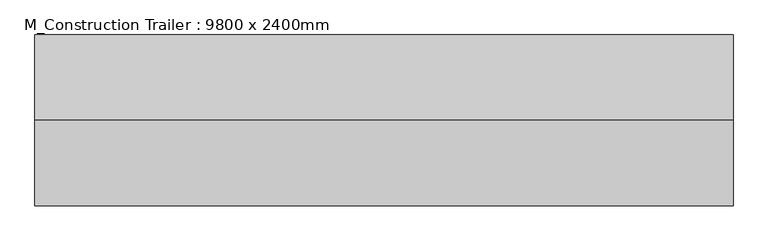
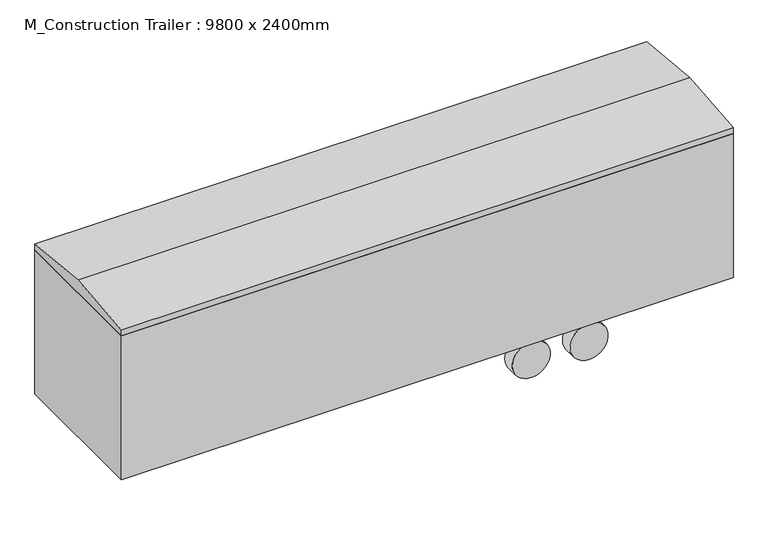
"""IFC4 building model written with IfcOpenShell, lengths in millimetres: geographic element geometry, M_Construction Trailer : 9800 x 2400mm."""

from ifc_helpers import new_model, si_unit, point, frame, frame_2d, origin, place, context, project, spatial, polyline, circle_curve, trimmed, segment, composite_curve, outline, extrude, source, transform, mapped, element, save


def m_construction_trailer_9800_x_2400mm_e60a08ff(model_context):
    return source(origin(), model_context, "Body", "SweptSolid", [
        extrude(outline(polyline([(4900.0, 1200.0), (4900.0, -1200.0), (-4900.0, -1200.0), (-4900.0, 1200.0), (4900.0, 1200.0)])), frame((0.0, 0.0, 762.0), z_axis=(0.0, 0.0, 1.0), x_axis=(1.0, 0.0, 0.0)), (0.0, 0.0, 1.0), 2438.4),
        extrude(outline(composite_curve([segment(trimmed(circle_curve(frame_2d((300.5237604, 2722.1639401)), 304.8), [point((605.3237604, 2722.1639401))], [point((-4.2762396, 2722.1639401))], False, "CARTESIAN"), True, "CONTINUOUS"), segment(trimmed(circle_curve(frame_2d((300.5237604, 2722.1639401)), 304.8), [point((-4.2762396, 2722.1639401))], [point((605.3237604, 2722.1639401))], False, "CARTESIAN"), True, "CONTINUOUS")], self_intersect=False)), frame((0.0, 767.9364473, 0.0), z_axis=(0.0, 1.0, 0.0), x_axis=(0.0, 0.0, 1.0)), (0.0, 0.0, 1.0), 206.9356151),
        extrude(outline(composite_curve([segment(trimmed(circle_curve(frame_2d((300.5237604, 1807.7639401)), 304.8), [point((605.3237604, 1807.7639401))], [point((-4.2762396, 1807.7639401))], False, "CARTESIAN"), True, "CONTINUOUS"), segment(trimmed(circle_curve(frame_2d((300.5237604, 1807.7639401)), 304.8), [point((-4.2762396, 1807.7639401))], [point((605.3237604, 1807.7639401))], False, "CARTESIAN"), True, "CONTINUOUS")], self_intersect=False)), frame((0.0, 767.9364473, 0.0), z_axis=(0.0, 1.0, 0.0), x_axis=(0.0, 0.0, 1.0)), (0.0, 0.0, 1.0), 206.9869902),
        extrude(outline(composite_curve([segment(trimmed(circle_curve(frame_2d((300.5237604, 2722.1639401)), 304.8), [point((605.3237604, 2722.1639401))], [point((-4.2762396, 2722.1639401))], False, "CARTESIAN"), True, "CONTINUOUS"), segment(trimmed(circle_curve(frame_2d((300.5237604, 2722.1639401)), 304.8), [point((-4.2762396, 2722.1639401))], [point((605.3237604, 2722.1639401))], False, "CARTESIAN"), True, "CONTINUOUS")], self_intersect=False)), frame((0.0, -974.8720623, 0.0), z_axis=(0.0, 1.0, 0.0), x_axis=(0.0, 0.0, 1.0)), (0.0, 0.0, 1.0), 206.9356151),
        extrude(outline(composite_curve([segment(trimmed(circle_curve(frame_2d((300.5237604, 1807.7639401)), 304.8), [point((605.3237604, 1807.7639401))], [point((-4.2762396, 1807.7639401))], False, "CARTESIAN"), True, "CONTINUOUS"), segment(trimmed(circle_curve(frame_2d((300.5237604, 1807.7639401)), 304.8), [point((-4.2762396, 1807.7639401))], [point((605.3237604, 1807.7639401))], False, "CARTESIAN"), True, "CONTINUOUS")], self_intersect=False)), frame((0.0, -955.6720623, 0.0), z_axis=(0.0, 1.0, 0.0), x_axis=(0.0, 0.0, 1.0)), (0.0, 0.0, 1.0), 206.9356151),
        extrude(outline(polyline([(1200.0, 3302.0), (1200.0, 3200.4), (-1200.0, 3200.4), (-1200.0, 3302.0), (0.0, 3416.0590808), (1200.0, 3302.0)])), frame((-4900.0, 0.0, 0.0), z_axis=(1.0, 0.0, 0.0), x_axis=(0.0, 1.0, 0.0)), (0.0, 0.0, 1.0), 9800.0),
        extrude(outline(polyline([(4747.6, -1047.6), (-4747.6, -1047.6), (-4747.6, 1047.6), (4747.6, 1047.6), (4747.6, -1047.6)])), frame((0.0, 0.0, 640.3643069), z_axis=(0.0, 0.0, 1.0), x_axis=(1.0, 0.0, 0.0)), (0.0, 0.0, 1.0), 121.6356931),
    ])


if __name__ == "__main__":
    model = new_model("IFC4")
    model_context = context("Model", 3, world=origin())
    ifc_project = project(units=[si_unit("LENGTHUNIT", "METRE", prefix="MILLI")], contexts=[model_context])
    site = spatial("IfcSite", under=ifc_project)
    building = spatial("IfcBuilding", under=site)
    placement = place(None, origin())
    m_construction_trailer_9800_x_2400mm_shape = m_construction_trailer_9800_x_2400mm_e60a08ff(model_context)
    element("IfcGeographicElement", 1, ObjectType="M_Construction Trailer : 9800 x 2400mm", at=placement, inside=building, context=model_context, shape_type="MappedRepresentation", body=[
        mapped(m_construction_trailer_9800_x_2400mm_shape, transform((0.0, 0.0, 0.0), x_axis=(1.0, 0.0, 0.0), y_axis=(0.0, 1.0, 0.0), z_axis=(0.0, 0.0, 1.0))),
    ])
    save(model, "model.ifc")
